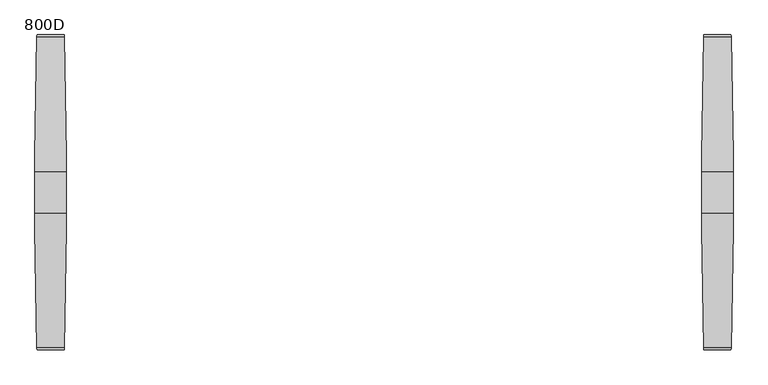
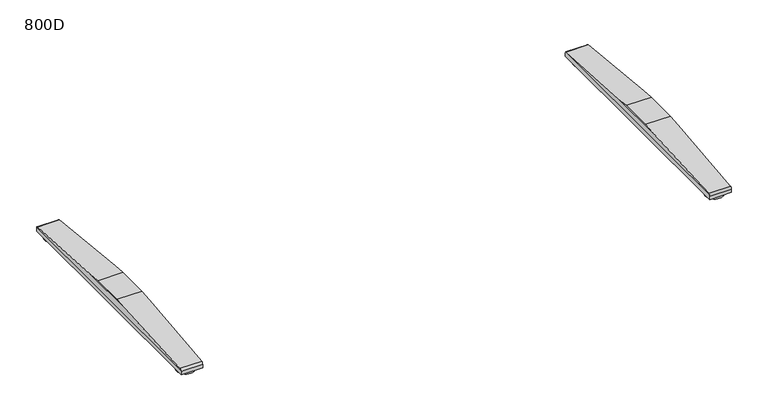
"""IFC4 building model written with IfcOpenShell, lengths in millimetres: furniture geometry, 800D."""

from ifc_helpers import new_model, si_unit, point, frame, frame_2d, origin, origin_with_axes, place, context, project, spatial, circle_curve, ellipse_curve, trimmed, segment, composite_curve, outline, extrude, source, transform, mapped, element, save
from ifc_brep_helpers import plane_surface, cylinder_surface, advanced_brep


def furniture_800d_0441d076(model_context):
    return source(origin(), model_context, "Body", "SolidModel", [
        advanced_brep(
        [(705.0040816, -45.9999756, 50.0000004), (705.0040816, 45.9999756, 50.0000004), (705.0040816, 82.452717, 47.0022421), (705.0040816, -82.4527181, 47.0022421), (775.0, 45.9999756, 50.0000004), (775.0, -45.9999756, 50.0000004), (775.0, -82.6981674, 46.9820571), (775.0, 82.6981662, 46.9820571), (770.6498787, 344.4917542, 25.4529794), (709.3582815, 344.4917542, 25.4529794), (709.3582815, -344.4917633, 25.4529794), (770.6498787, -344.4917633, 25.4529794), (710.0539142, -349.4372123, 22.0102408), (710.0539142, -350.0000027, 19.4731654), (769.954246, -350.0000027, 19.4731654), (769.954246, -349.4372123, 22.0102408), (710.0539142, -350.0000027, 10.0000005), (769.954246, -350.0000027, 10.0000005), (710.0539142, 349.9999913, 10.0000005), (769.954246, 349.9999913, 10.0000005), (710.0539142, 349.9999913, 19.4731679), (769.954246, 349.9999913, 19.4731679), (710.0539142, 349.4372019, 22.0102408), (769.954246, 349.4372019, 22.0102408)],
        [
            (0, 1),
            (1, 2),
            (2, 3),
            (3, 0),
            (4, 5),
            (5, 6),
            (6, 7),
            (7, 4),
            (1, 4),
            (7, 8),
            (8, 9),
            (9, 2),
            (0, 5),
            (3, 10),
            (10, 11),
            (11, 6),
            (10, 12, ellipse_curve(frame((710.5665505, -344.0000023, 19.4731654), z_axis=(0.9801908372046193, 0.0, 0.19805535251567288), x_axis=(-0.1980553525156731, 0.0, 0.9801908372046194)), 6.1212573, 6.0000004)),
            (12, 13, circle_curve(frame((710.0539142, -344.0000023, 19.4731654), z_axis=(1.0, 0.0, 0.0), x_axis=(0.0, 1.0, 0.0)), 6.0000004)),
            (13, 14),
            (14, 15, circle_curve(frame((769.954246, -344.0000023, 19.4731654), z_axis=(-1.0, 0.0, 0.0), x_axis=(0.0, 1.0, 0.0)), 6.0000004)),
            (15, 11, ellipse_curve(frame((769.4416097, -344.0000023, 19.4731654), z_axis=(-0.9801908372046148, 0.0, 0.1980553525156958), x_axis=(-0.198055352515695, 0.0, -0.9801908372046149)), 6.1212573, 6.0000004)),
            (13, 16),
            (16, 17),
            (17, 14),
            (16, 18),
            (18, 19),
            (19, 17),
            (18, 20),
            (20, 21),
            (21, 19),
            (20, 22, circle_curve(frame((710.0539142, 343.9999934, 19.4731679), z_axis=(1.0, 0.0, 0.0), x_axis=(0.0, 1.0, 0.0)), 5.9999979)),
            (22, 9, ellipse_curve(frame((710.56655, 343.9999934, 19.4731679), z_axis=(0.9801908372046193, 0.0, 0.19805535251567288), x_axis=(-0.1980553525156731, 0.0, 0.9801908372046194)), 6.1212548, 5.9999979)),
            (8, 23, ellipse_curve(frame((769.4416102, 343.9999934, 19.4731679), z_axis=(-0.9801908372046148, 0.0, 0.1980553525156958), x_axis=(-0.198055352515695, 0.0, -0.9801908372046149)), 6.1212548, 5.9999979)),
            (23, 21, circle_curve(frame((769.954246, 343.9999934, 19.4731679), z_axis=(-1.0, 0.0, 0.0), x_axis=(0.0, 1.0, 0.0)), 5.9999979)),
            (15, 23),
            (12, 22),
        ],
        [
            plane_surface(frame((705.0040816, 349.9999913, 19.4731679), z_axis=(-1.0, 0.0, 0.0), x_axis=(0.0, 0.0, -1.0))),
            plane_surface(frame((775.0, 349.9999913, 19.4731679), z_axis=(1.0, 0.0, 0.0), x_axis=(0.0, 0.0, 1.0))),
            plane_surface(frame((705.0040816, 45.9999756, 50.0000004), z_axis=(0.0, 0.08196016388479187, 0.996635606195152), x_axis=(1.0, 0.0, 0.0))),
            plane_surface(frame((705.0040816, -45.9999756, 50.0000004), z_axis=(0.0, 0.0, 1.0), x_axis=(1.0, 0.0, 0.0))),
            plane_surface(frame((705.0040816, -344.4917633, 25.4529794), z_axis=(0.0, -0.08196016140528317, 0.996635606399059), x_axis=(1.0, 0.0, 0.0))),
            cylinder_surface(frame((775.0, -344.0000023, 19.4731654), z_axis=(-1.0, 0.0, 0.0), x_axis=(0.0, 1.0, 0.0)), 6.0000004),
            plane_surface(frame((705.0040816, -350.0000027, 10.0000005), z_axis=(0.0, -1.0, 0.0), x_axis=(1.0, 0.0, 0.0))),
            plane_surface(frame((705.0040816, 349.9999913, 10.0000005), z_axis=(0.0, 0.0, -1.0), x_axis=(1.0, 0.0, 0.0))),
            plane_surface(frame((705.0040816, 349.9999913, 19.4731679), z_axis=(0.0, 1.0, 0.0), x_axis=(1.0, 0.0, 0.0))),
            cylinder_surface(frame((775.0, 343.9999934, 19.4731679), z_axis=(-1.0, 0.0, 0.0), x_axis=(0.0, 1.0, 0.0)), 5.9999979),
            plane_surface(frame((775.0, -350.0000027, 46.9820571), z_axis=(0.9801908372046148, 0.0, -0.1980553525156958), x_axis=(0.0, 1.0, 0.0))),
            plane_surface(frame((769.954246, -350.0000027, 22.0102408), z_axis=(1.0, 0.0, 0.0), x_axis=(0.0, 1.0, 0.0))),
            plane_surface(frame((710.0539142, -350.0000027, 10.0000005), z_axis=(-1.0, 0.0, 0.0), x_axis=(0.0, 1.0, 0.0))),
            plane_surface(frame((710.0539142, -350.0000027, 22.0102408), z_axis=(-0.9801908372046193, 0.0, -0.19805535251567288), x_axis=(0.0, 1.0, 0.0))),
        ],
        [
            (0, [[1, 2, 3, 4]]),
            (1, [[5, 6, 7, 8]]),
            (2, [[9, -8, 10, 11, 12, -2]]),
            (3, [[-1, 13, -5, -9]]),
            (4, [[-13, -4, 14, 15, 16, -6]]),
            (5, [[-15, 17, 18, 19, 20, 21]]),
            (6, [[-19, 22, 23, 24]]),
            (7, [[-23, 25, 26, 27]]),
            (8, [[-26, 28, 29, 30]]),
            (9, [[-29, 31, 32, -11, 33, 34]]),
            (10, [[35, -33, -10, -7, -16, -21]]),
            (11, [[-35, -20, -24, -27, -30, -34]]),
            (12, [[36, -31, -28, -25, -22, -18]]),
            (13, [[-36, -17, -14, -3, -12, -32]]),
        ],
    ),
        extrude(outline(composite_curve([segment(trimmed(circle_curve(frame_2d((740.0020408, 319.5181605)), 25.0), [point((765.0020408, 319.5181605))], [point((715.0020408, 319.5181605))], False, "CARTESIAN"), True, "CONTINUOUS"), segment(trimmed(circle_curve(frame_2d((740.0020408, 319.5181605)), 25.0), [point((715.0020408, 319.5181605))], [point((765.0020408, 319.5181605))], False, "CARTESIAN"), True, "CONTINUOUS")], self_intersect=False)), origin_with_axes(), (0.0, 0.0, 1.0), 10.0000005),
        extrude(outline(composite_curve([segment(trimmed(circle_curve(frame_2d((740.0020408, -319.5181605)), 25.0), [point((765.0020408, -319.5181605))], [point((715.0020408, -319.5181605))], False, "CARTESIAN"), True, "CONTINUOUS"), segment(trimmed(circle_curve(frame_2d((740.0020408, -319.5181605)), 25.0), [point((715.0020408, -319.5181605))], [point((765.0020408, -319.5181605))], False, "CARTESIAN"), True, "CONTINUOUS")], self_intersect=False)), origin_with_axes(), (0.0, 0.0, 1.0), 10.0000005),
        advanced_brep(
        [(-705.0040816, 45.9999756, 50.0000004), (-705.0040816, -45.9999756, 50.0000004), (-705.0040816, -82.4527181, 47.0022421), (-705.0040816, 82.452717, 47.0022421), (-775.0, -45.9999756, 50.0000004), (-775.0, 45.9999756, 50.0000004), (-775.0, 82.6981662, 46.9820571), (-775.0, -82.6981674, 46.9820571), (-709.3582815, 344.4917542, 25.4529794), (-770.6498787, 344.4917542, 25.4529794), (-770.6498787, -344.4917633, 25.4529794), (-709.3582815, -344.4917633, 25.4529794), (-769.954246, -349.4372123, 22.0102408), (-769.954246, -350.0000027, 19.4731654), (-710.0539142, -350.0000027, 19.4731654), (-710.0539142, -349.4372123, 22.0102408), (-769.954246, -350.0000027, 10.0000005), (-710.0539142, -350.0000027, 10.0000005), (-769.954246, 349.9999913, 10.0000005), (-710.0539142, 349.9999913, 10.0000005), (-769.954246, 349.9999913, 19.4731679), (-710.0539142, 349.9999913, 19.4731679), (-710.0539142, 349.4372019, 22.0102408), (-769.954246, 349.4372019, 22.0102408)],
        [
            (0, 1),
            (1, 2),
            (2, 3),
            (3, 0),
            (4, 5),
            (5, 6),
            (6, 7),
            (7, 4),
            (5, 0),
            (3, 8),
            (8, 9),
            (9, 6),
            (4, 1),
            (7, 10),
            (10, 11),
            (11, 2),
            (10, 12, ellipse_curve(frame((-769.4416097, -344.0000023, 19.4731654), z_axis=(0.980190837204615, 0.0, 0.19805535251569462), x_axis=(0.19805535251569453, 0.0, -0.980190837204615)), 6.1212573, 6.0000004)),
            (12, 13, circle_curve(frame((-769.954246, -344.0000023, 19.4731654), z_axis=(1.0, 0.0, 0.0), x_axis=(0.0, -1.0, 0.0)), 6.0000004)),
            (13, 14),
            (14, 15, circle_curve(frame((-710.0539142, -344.0000023, 19.4731654), z_axis=(-1.0, 0.0, 0.0), x_axis=(0.0, -1.0, 0.0)), 6.0000004)),
            (15, 11, ellipse_curve(frame((-710.5665505, -344.0000023, 19.4731654), z_axis=(-0.9801908372046192, 0.0, 0.19805535251567372), x_axis=(0.1980553525156734, 0.0, 0.9801908372046194)), 6.1212573, 6.0000004)),
            (13, 16),
            (16, 17),
            (17, 14),
            (16, 18),
            (18, 19),
            (19, 17),
            (18, 20),
            (20, 21),
            (21, 19),
            (8, 22, ellipse_curve(frame((-710.56655, 343.9999934, 19.4731679), z_axis=(-0.9801908372046192, 0.0, 0.19805535251567372), x_axis=(0.1980553525156734, 0.0, 0.9801908372046194)), 6.1212548, 5.9999979)),
            (22, 21, circle_curve(frame((-710.0539142, 343.9999934, 19.4731679), z_axis=(-1.0, 0.0, 0.0), x_axis=(0.0, -1.0, 0.0)), 5.9999979)),
            (20, 23, circle_curve(frame((-769.954246, 343.9999934, 19.4731679), z_axis=(1.0, 0.0, 0.0), x_axis=(0.0, -1.0, 0.0)), 5.9999979)),
            (23, 9, ellipse_curve(frame((-769.4416102, 343.9999934, 19.4731679), z_axis=(0.980190837204615, 0.0, 0.19805535251569462), x_axis=(0.19805535251569453, 0.0, -0.980190837204615)), 6.1212548, 5.9999979)),
            (23, 12),
            (22, 15),
        ],
        [
            plane_surface(frame((-705.0040816, 46.2454694, 49.9798118), z_axis=(1.0, 0.0, 0.0), x_axis=(0.0, -0.996635606195152, 0.08196016388479188))),
            plane_surface(frame((-775.0, 46.2454694, 49.9798118), z_axis=(-1.0, 0.0, 0.0), x_axis=(0.0, 0.996635606195152, -0.08196016388479188))),
            plane_surface(frame((-705.0040816, 344.4917542, 25.4529794), z_axis=(0.0, 0.08196016388479188, 0.996635606195152), x_axis=(-1.0, 0.0, 0.0))),
            plane_surface(frame((-705.0040816, 45.9999756, 50.0000004), z_axis=(0.0, 0.0, 1.0), x_axis=(-1.0, 0.0, 0.0))),
            plane_surface(frame((-705.0040816, -45.9999756, 50.0000004), z_axis=(0.0, -0.0819601614052832, 0.996635606399059), x_axis=(-1.0, 0.0, 0.0))),
            cylinder_surface(frame((-775.0, -344.0000023, 19.4731654), z_axis=(1.0, 0.0, 0.0), x_axis=(0.0, -1.0, 0.0)), 6.0000004),
            plane_surface(frame((-705.0040816, -350.0000027, 19.4731654), z_axis=(0.0, -1.0, 0.0), x_axis=(-1.0, 0.0, 0.0))),
            plane_surface(frame((-705.0040816, -350.0000027, 10.0000005), z_axis=(0.0, 0.0, -1.0), x_axis=(-1.0, 0.0, 0.0))),
            plane_surface(frame((-705.0040816, 349.9999913, 10.0000005), z_axis=(0.0, 1.0, 0.0), x_axis=(-1.0, 0.0, 0.0))),
            cylinder_surface(frame((-775.0, 343.9999934, 19.4731679), z_axis=(1.0, 0.0, 0.0), x_axis=(0.0, -1.0, 0.0)), 5.9999979),
            plane_surface(frame((-769.954246, -350.0000027, 22.0102408), z_axis=(-0.980190837204615, 0.0, -0.19805535251569462), x_axis=(0.0, 1.0, 0.0))),
            plane_surface(frame((-769.954246, -350.0000027, 10.0000005), z_axis=(-1.0, 0.0, 0.0), x_axis=(0.0, 1.0, 0.0))),
            plane_surface(frame((-710.0539142, -350.0000027, 22.0102408), z_axis=(1.0, 0.0, 0.0), x_axis=(0.0, 1.0, 0.0))),
            plane_surface(frame((-705.0040816, -350.0000027, 47.0022421), z_axis=(0.9801908372046192, 0.0, -0.19805535251567372), x_axis=(0.0, 1.0, 0.0))),
        ],
        [
            (0, [[1, 2, 3, 4]]),
            (1, [[5, 6, 7, 8]]),
            (2, [[9, -4, 10, 11, 12, -6]]),
            (3, [[-1, -9, -5, 13]]),
            (4, [[-13, -8, 14, 15, 16, -2]]),
            (5, [[-15, 17, 18, 19, 20, 21]]),
            (6, [[-19, 22, 23, 24]]),
            (7, [[-23, 25, 26, 27]]),
            (8, [[-26, 28, 29, 30]]),
            (9, [[-11, 31, 32, -29, 33, 34]]),
            (10, [[35, -17, -14, -7, -12, -34]]),
            (11, [[-35, -33, -28, -25, -22, -18]]),
            (12, [[36, -20, -24, -27, -30, -32]]),
            (13, [[-36, -31, -10, -3, -16, -21]]),
        ],
    ),
        extrude(outline(composite_curve([segment(trimmed(circle_curve(frame_2d((-740.0020408, 319.5181605)), 25.0), [point((-765.0020408, 319.5181605))], [point((-715.0020408, 319.5181605))], False, "CARTESIAN"), True, "CONTINUOUS"), segment(trimmed(circle_curve(frame_2d((-740.0020408, 319.5181605)), 25.0), [point((-715.0020408, 319.5181605))], [point((-765.0020408, 319.5181605))], False, "CARTESIAN"), True, "CONTINUOUS")], self_intersect=False)), origin_with_axes(), (0.0, 0.0, 1.0), 10.0000005),
        extrude(outline(composite_curve([segment(trimmed(circle_curve(frame_2d((-740.0020408, -319.5181605)), 25.0), [point((-765.0020408, -319.5181605))], [point((-715.0020408, -319.5181605))], False, "CARTESIAN"), True, "CONTINUOUS"), segment(trimmed(circle_curve(frame_2d((-740.0020408, -319.5181605)), 25.0), [point((-715.0020408, -319.5181605))], [point((-765.0020408, -319.5181605))], False, "CARTESIAN"), True, "CONTINUOUS")], self_intersect=False)), origin_with_axes(), (0.0, 0.0, 1.0), 10.0000005),
    ])


if __name__ == "__main__":
    model = new_model("IFC4")
    model_context = context("Model", 3, world=origin())
    ifc_project = project(units=[si_unit("LENGTHUNIT", "METRE", prefix="MILLI")], contexts=[model_context])
    site = spatial("IfcSite", under=ifc_project)
    building = spatial("IfcBuilding", under=site)
    placement = place(None, origin())
    furniture_800d_shape = furniture_800d_0441d076(model_context)
    element("IfcFurniture", 1, ObjectType="800D", at=placement, inside=building, context=model_context, shape_type="MappedRepresentation", body=[
        mapped(furniture_800d_shape, transform((0.0, 0.0, 0.0), x_axis=(1.0, 0.0, 0.0), y_axis=(0.0, 1.0, 0.0), z_axis=(0.0, 0.0, 1.0))),
    ])
    save(model, "model.ifc")
